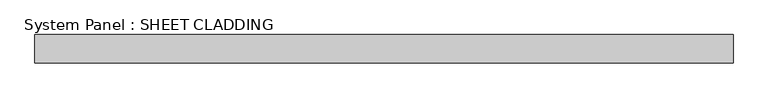
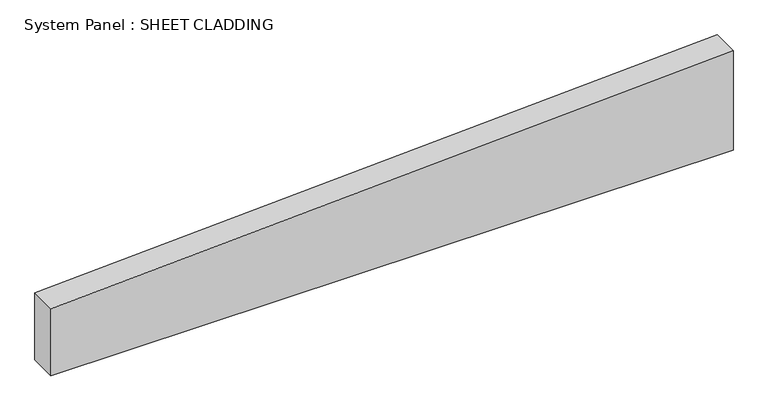
"""IFC4 building model written with IfcOpenShell, lengths in millimetres: plate geometry, System Panel : SHEET CLADDING."""

from ifc_helpers import new_model, si_unit, frame, origin, place, context, project, spatial, polyline, outline, extrude, source, transform, mapped, element, save


def system_panel_sheet_cladding_7270bc92(model_context):
    return source(origin(), model_context, "Body", "SweptSolid", [
        extrude(outline(polyline([(0.0, -735.4591837), (0.0, 735.4591837), (226.6561224, 735.4591837), (153.1102041, -735.4591837), (0.0, -735.4591837)])), frame((0.0, -10.5, 0.0), z_axis=(0.0, 1.0, 0.0), x_axis=(0.0, 0.0, 1.0)), (0.0, 0.0, 1.0), 60.0),
    ])


if __name__ == "__main__":
    model = new_model("IFC4")
    model_context = context("Model", 3, world=origin())
    ifc_project = project(units=[si_unit("LENGTHUNIT", "METRE", prefix="MILLI")], contexts=[model_context])
    site = spatial("IfcSite", under=ifc_project)
    building = spatial("IfcBuilding", under=site)
    placement = place(None, origin())
    system_panel_sheet_cladding_shape = system_panel_sheet_cladding_7270bc92(model_context)
    element("IfcPlate", 1, ObjectType="System Panel : SHEET CLADDING", at=placement, inside=building, context=model_context, shape_type="MappedRepresentation", body=[
        mapped(system_panel_sheet_cladding_shape, transform((0.0, 0.0, 0.0), x_axis=(1.0, 0.0, 0.0), y_axis=(0.0, 1.0, 0.0), z_axis=(0.0, 0.0, 1.0))),
    ])
    save(model, "model.ifc")
